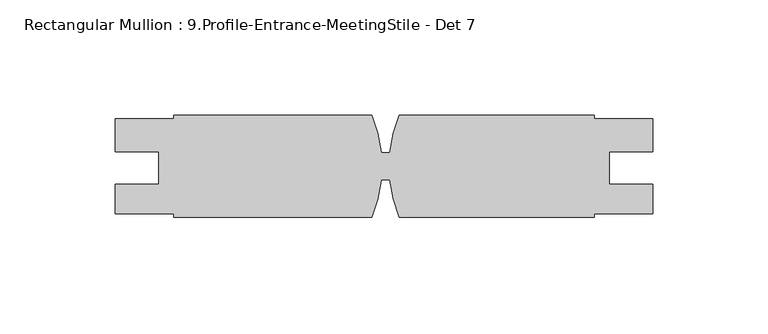
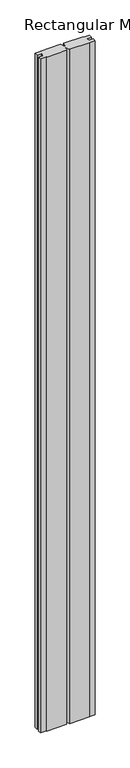
"""IFC4 building model written with IfcOpenShell, lengths in millimetres: member geometry, Rectangular Mullion : 9.Profile-Entrance-MeetingStile - Det 7."""

from ifc_helpers import new_model, si_unit, point, frame, frame_2d, origin, place, context, project, spatial, polyline, circle_curve, trimmed, segment, composite_curve, outline, extrude, source, transform, mapped, element, save


def rectangular_mullion_9_profile_entrance_meetingstile_det_7_be6707c4(model_context):
    return source(origin(), model_context, "Body", "SweptSolid", [
        extrude(outline(composite_curve([segment(polyline([(-233.706752, 14.6718641), (-208.306752, 14.6718641), (-208.306752, 16.2593804), (-122.1863255, 16.2593804)]), True, "CONTINUOUS"), segment(trimmed(circle_curve(frame_2d((-176.556752, -5.9656196)), 58.7375), [point((-122.1863255, 16.2593804))], [point((-118.1362556, 0.128599))], False, "CARTESIAN"), True, "CONTINUOUS"), segment(polyline([(-118.1362556, 0.128599), (-114.344773, -0.0418017)]), True, "CONTINUOUS"), segment(trimmed(circle_curve(frame_2d((-55.906752, -5.9656196)), 58.7375), [point((-114.344773, -0.0418017))], [point((-110.2771786, 16.2593804))], False, "CARTESIAN"), True, "CONTINUOUS"), segment(polyline([(-110.2771786, 16.2593804), (-25.4, 16.2593804), (-25.4, 14.6718641), (0.0, 14.6718641), (0.0, 0.4097804), (-19.0372991, 0.4097804), (-19.0372991, -13.8777196), (0.0, -13.8777196), (0.0, -26.5904196), (-25.4, -26.5904196), (-25.4, -28.1906196), (-110.2771786, -28.1906196)]), True, "CONTINUOUS"), segment(trimmed(circle_curve(frame_2d((-55.906752, -5.9656196)), 58.7375), [point((-110.2771786, -28.1906196))], [point((-114.344402, -11.8930954))], False, "CARTESIAN"), True, "CONTINUOUS"), segment(polyline([(-114.344402, -11.8930954), (-118.1366408, -12.0635299)]), True, "CONTINUOUS"), segment(trimmed(circle_curve(frame_2d((-176.556752, -5.9656196)), 58.7375), [point((-118.1366408, -12.0635299))], [point((-122.1863255, -28.1906196))], False, "CARTESIAN"), True, "CONTINUOUS"), segment(polyline([(-122.1863255, -28.1906196), (-208.306752, -28.1906196), (-208.306752, -26.5904196), (-233.706752, -26.5904196), (-233.706752, -13.8777196), (-214.6694529, -13.8777196), (-214.6694529, 0.4097804), (-233.706752, 0.4097804), (-233.706752, 14.6718641)]), True, "CONTINUOUS")], self_intersect=False)), frame((0.0, 0.0, -3048.0), z_axis=(0.0, 0.0, 1.0), x_axis=(1.0, 0.0, 0.0)), (0.0, 0.0, 1.0), 3048.0),
    ])


if __name__ == "__main__":
    model = new_model("IFC4")
    model_context = context("Model", 3, world=origin())
    ifc_project = project(units=[si_unit("LENGTHUNIT", "METRE", prefix="MILLI")], contexts=[model_context])
    site = spatial("IfcSite", under=ifc_project)
    building = spatial("IfcBuilding", under=site)
    placement = place(None, origin())
    rectangular_mullion_9_profile_entrance_meetingstile_det_7_shape = rectangular_mullion_9_profile_entrance_meetingstile_det_7_be6707c4(model_context)
    element("IfcMember", 1, ObjectType="Rectangular Mullion : 9.Profile-Entrance-MeetingStile - Det 7", at=placement, inside=building, context=model_context, shape_type="MappedRepresentation", body=[
        mapped(rectangular_mullion_9_profile_entrance_meetingstile_det_7_shape, transform((0.0, 0.0, 0.0), x_axis=(1.0, 0.0, 0.0), y_axis=(0.0, 1.0, 0.0), z_axis=(0.0, 0.0, 1.0))),
    ])
    save(model, "model.ifc")
